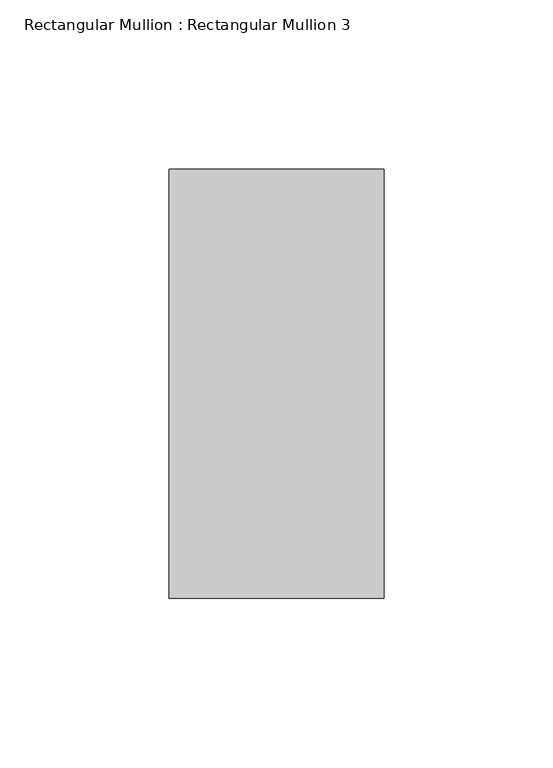
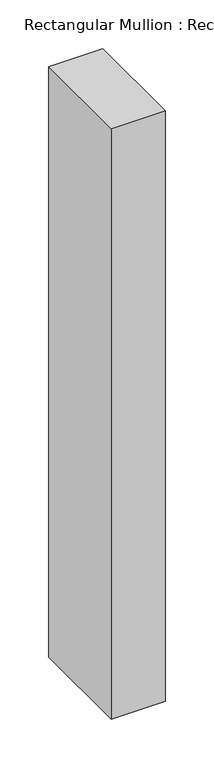
"""IFC4 building model written with IfcOpenShell, lengths in millimetres: member geometry, Rectangular Mullion : Rectangular Mullion 3."""

from ifc_helpers import new_model, si_unit, frame, origin, place, context, project, spatial, polyline, outline, extrude, source, transform, mapped, element, save


def rectangular_mullion_rectangular_mullion_3_21bbce85(model_context):
    return source(origin(), model_context, "Body", "SweptSolid", [
        extrude(outline(polyline([(63.6, 188.5), (63.6, 61.5), (0.0, 61.5), (0.0, 188.5), (63.6, 188.5)])), frame((0.0, 0.0, -736.4), z_axis=(0.0, 0.0, 1.0), x_axis=(1.0, 0.0, 0.0)), (0.0, 0.0, 1.0), 736.4),
    ])


if __name__ == "__main__":
    model = new_model("IFC4")
    model_context = context("Model", 3, world=origin())
    ifc_project = project(units=[si_unit("LENGTHUNIT", "METRE", prefix="MILLI")], contexts=[model_context])
    site = spatial("IfcSite", under=ifc_project)
    building = spatial("IfcBuilding", under=site)
    placement = place(None, origin())
    rectangular_mullion_rectangular_mullion_3_shape = rectangular_mullion_rectangular_mullion_3_21bbce85(model_context)
    element("IfcMember", 1, ObjectType="Rectangular Mullion : Rectangular Mullion 3", at=placement, inside=building, context=model_context, shape_type="MappedRepresentation", body=[
        mapped(rectangular_mullion_rectangular_mullion_3_shape, transform((0.0, 0.0, 0.0), x_axis=(1.0, 0.0, 0.0), y_axis=(0.0, 1.0, 0.0), z_axis=(0.0, 0.0, 1.0))),
    ])
    save(model, "model.ifc")
